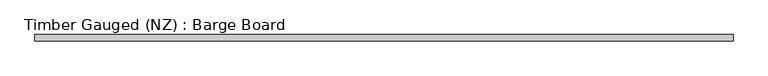
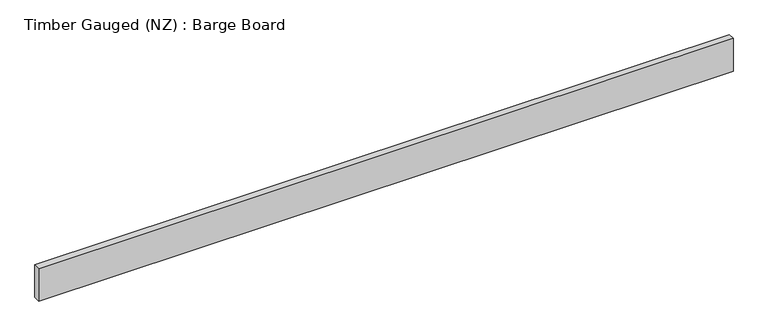
"""IFC4 building model written with IfcOpenShell, lengths in millimetres: beam geometry, Timber Gauged (NZ) : Barge Board."""

from ifc_helpers import new_model, si_unit, frame, origin, place, context, project, spatial, polyline, outline, extrude, source, transform, mapped, element, save


def timber_gauged_nz_barge_board_572b2198(model_context):
    return source(origin(), model_context, "Body", "SweptSolid", [
        extrude(outline(polyline([(1110.0, 10.0), (1110.0, -10.0), (-1110.0, -10.0), (-1110.0, 10.0), (1110.0, 10.0)])), frame((0.0, 0.0, -55.0), z_axis=(0.0, 0.0, 1.0), x_axis=(1.0, 0.0, 0.0)), (0.0, 0.0, 1.0), 110.0),
    ])


if __name__ == "__main__":
    model = new_model("IFC4")
    model_context = context("Model", 3, world=origin())
    ifc_project = project(units=[si_unit("LENGTHUNIT", "METRE", prefix="MILLI")], contexts=[model_context])
    site = spatial("IfcSite", under=ifc_project)
    building = spatial("IfcBuilding", under=site)
    placement = place(None, origin())
    timber_gauged_nz_barge_board_shape = timber_gauged_nz_barge_board_572b2198(model_context)
    element("IfcBeam", 1, ObjectType="Timber Gauged (NZ) : Barge Board", at=placement, inside=building, context=model_context, shape_type="MappedRepresentation", body=[
        mapped(timber_gauged_nz_barge_board_shape, transform((0.0, 0.0, 0.0), x_axis=(1.0, 0.0, 0.0), y_axis=(0.0, 1.0, 0.0), z_axis=(0.0, 0.0, 1.0))),
    ])
    save(model, "model.ifc")
